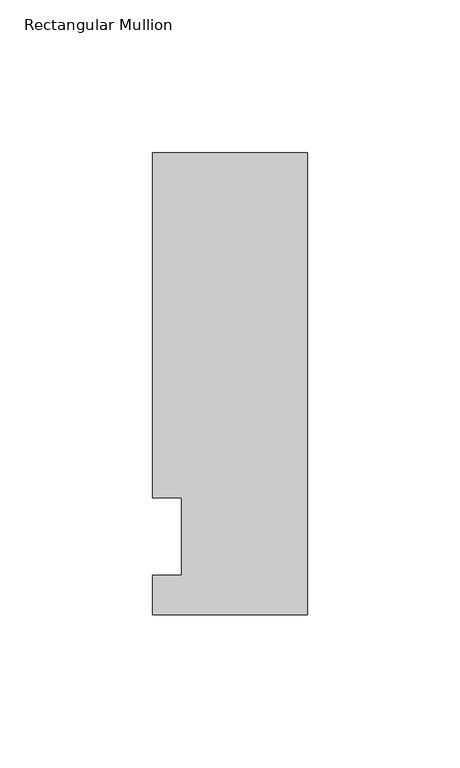
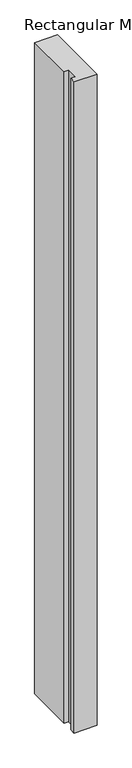
"""IFC4 building model written with IfcOpenShell, lengths in millimetres: member geometry, Rectangular Mullion."""

from ifc_helpers import new_model, si_unit, frame, origin, place, context, project, spatial, polyline, outline, extrude, source, transform, mapped, element, save


def rectangular_mullion_efa83e6e(model_context):
    return source(origin(), model_context, "Body", "SweptSolid", [
        extrude(outline(polyline([(-50.8, -25.5827379), (-50.8, -12.7), (-41.275, -12.7), (-41.275, 12.7), (-50.8, 12.7), (-50.8, 125.8533), (0.0, 125.8533), (0.0, -25.5827379), (-50.8, -25.5827379)])), frame((0.0, 0.0, -1524.0), z_axis=(0.0, 0.0, 1.0), x_axis=(1.0, 0.0, 0.0)), (0.0, 0.0, 1.0), 1524.0),
    ])


if __name__ == "__main__":
    model = new_model("IFC4")
    model_context = context("Model", 3, world=origin())
    ifc_project = project(units=[si_unit("LENGTHUNIT", "METRE", prefix="MILLI")], contexts=[model_context])
    site = spatial("IfcSite", under=ifc_project)
    building = spatial("IfcBuilding", under=site)
    placement = place(None, origin())
    rectangular_mullion_shape = rectangular_mullion_efa83e6e(model_context)
    element("IfcMember", 1, ObjectType="Rectangular Mullion", at=placement, inside=building, context=model_context, shape_type="MappedRepresentation", body=[
        mapped(rectangular_mullion_shape, transform((0.0, 0.0, 0.0), x_axis=(1.0, 0.0, 0.0), y_axis=(0.0, 1.0, 0.0), z_axis=(0.0, 0.0, 1.0))),
    ])
    save(model, "model.ifc")
